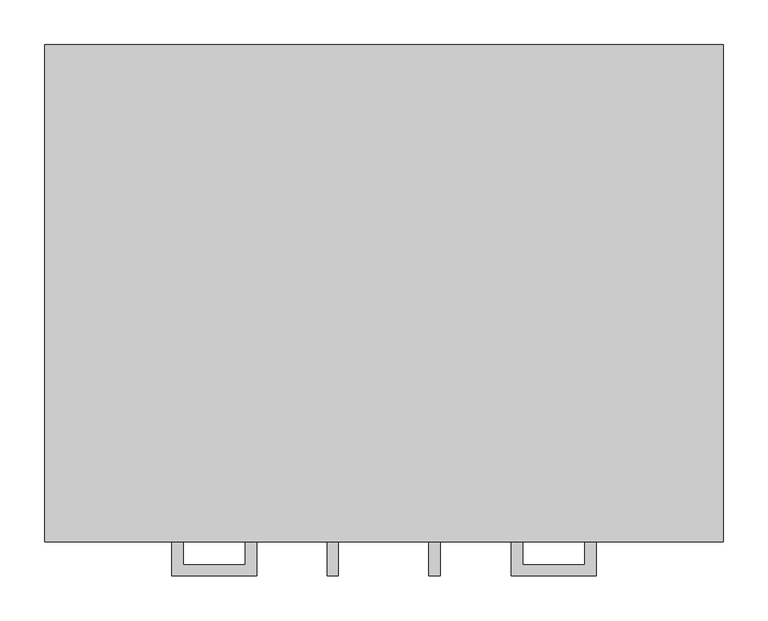
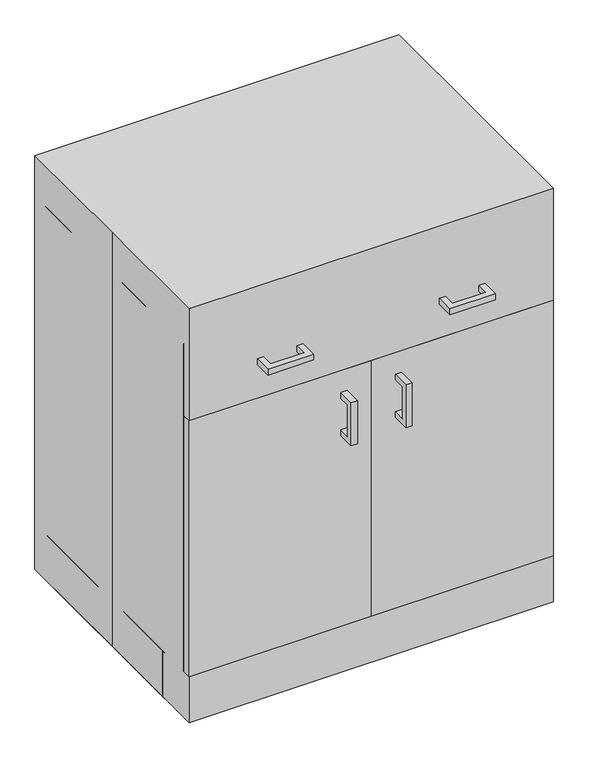
"""IFC4 building model written with IfcOpenShell, lengths in millimetres: proxy geometry."""

import ifcopenshell
import ifcopenshell.guid

model = None  # the IFC model being written
_history = None  # IfcOwnerHistory: only IFC2X3 demands one
_inside = {}  # id of a spatial element -> (the spatial element, [elements in it])
_under = {}  # id of a project, library or spatial element -> (it, [spatial elements below it])
_declared = {}  # id of a project -> (the project, [libraries it declares])
_typed = {}  # id of a type object -> (the type object, [elements of that type])
_made_of = {}  # id of a material, layer set ... -> (it, [elements and type objects made of it])


def new_model(schema):
    """Start an empty IFC model of exactly this schema.

    Asked for "IFC4X3", IfcOpenShell would pick the latest addendum, in which some entities
    have other attributes; the version numbers below select the first issue.
    IFC2X3 requires an IfcOwnerHistory on every rooted entity: one is made here for all.
    """
    global model, _history
    if schema == "IFC4X3":
        model = ifcopenshell.file(schema_version=(4, 3, 0, 0))
    else:
        model = ifcopenshell.file(schema=schema)
    _inside.clear()
    _under.clear()
    _declared.clear()
    _typed.clear()
    _made_of.clear()
    _history = None
    if model.schema == "IFC2X3":
        org = make("IfcOrganization", Name="unknown")
        user = make(
            "IfcPersonAndOrganization",
            ThePerson=make("IfcPerson", FamilyName="unknown"),
            TheOrganization=org,
        )
        app = make(
            "IfcApplication",
            ApplicationDeveloper=org,
            Version="unknown",
            ApplicationFullName="unknown",
            ApplicationIdentifier="unknown",
        )
        _history = make(
            "IfcOwnerHistory",
            OwningUser=user,
            OwningApplication=app,
            ChangeAction="ADDED",
            CreationDate=0,
        )
    return model


def make(cls, **values):
    """One entity of the class cls with the attributes given. An attribute that is None is left unset."""
    return model.create_entity(
        cls, **{name: value for name, value in values.items() if value is not None}
    )


def rooted(cls, **values):
    """An entity with a GlobalId (a new one), such as an element, a storey or a relation."""
    return make(cls, GlobalId=ifcopenshell.guid.new(), OwnerHistory=_history, **values)


def si_unit(unit_type, name, prefix=None):
    """IfcSIUnit, for example si_unit("LENGTHUNIT", "METRE", prefix="MILLI")."""
    return make("IfcSIUnit", UnitType=unit_type, Prefix=prefix, Name=name)


def assignment(units):
    """IfcUnitAssignment: the units of a project."""
    return None if units is None else make("IfcUnitAssignment", Units=units)


def point(xyz):
    """IfcCartesianPoint."""
    return None if xyz is None else make("IfcCartesianPoint", Coordinates=xyz)


def direction(xyz):
    """IfcDirection."""
    return None if xyz is None else make("IfcDirection", DirectionRatios=xyz)


def frame(location, z_axis=None, x_axis=None):
    """IfcAxis2Placement3D, a coordinate frame: its origin and axes. An axis left out is left unset."""
    return make(
        "IfcAxis2Placement3D",
        Location=point(location),
        Axis=direction(z_axis),
        RefDirection=direction(x_axis),
    )


def origin():
    """The frame at (0, 0, 0) with its axes left unset."""
    return frame((0.0, 0.0, 0.0))


def origin_with_axes():
    """The frame at (0, 0, 0) with the z axis (0, 0, 1) and the x axis (1, 0, 0) written out."""
    return frame((0.0, 0.0, 0.0), z_axis=(0.0, 0.0, 1.0), x_axis=(1.0, 0.0, 0.0))


def place(relative_to, where):
    """IfcLocalPlacement: puts the frame where relative to a parent placement (None: the world)."""
    return make(
        "IfcLocalPlacement", PlacementRelTo=relative_to, RelativePlacement=where
    )


def context(
    kind, dimensions, precision=None, world=None, true_north=None, identifier=None
):
    """IfcGeometricRepresentationContext, for example the 3D "Model" context."""
    return make(
        "IfcGeometricRepresentationContext",
        ContextIdentifier=identifier,
        ContextType=kind,
        CoordinateSpaceDimension=dimensions,
        Precision=precision,
        WorldCoordinateSystem=world,
        TrueNorth=true_north,
    )


def project(units=None, contexts=None):
    """IfcProject with its units and contexts."""
    return rooted(
        "IfcProject",
        Name="project",
        RepresentationContexts=contexts,
        UnitsInContext=assignment(units),
    )


def spatial(cls, under=None, at=None, **own):
    """A site, building, storey or space (cls), placed at a placement, below another one or the project."""
    s = rooted(cls, ObjectPlacement=at, **own)
    if under is not None:
        _under.setdefault(under.id(), (under, []))[1].append(s)
    return s


def polyline(points):
    """IfcPolyline through the points."""
    return make("IfcPolyline", Points=[point(p) for p in points])


def outline(outer, holes=None, kind="AREA"):
    """IfcArbitraryClosedProfileDef: a profile drawn as a closed curve; with holes, ...WithVoids."""
    if holes is None:
        return make("IfcArbitraryClosedProfileDef", ProfileType=kind, OuterCurve=outer)
    return make(
        "IfcArbitraryProfileDefWithVoids",
        ProfileType=kind,
        OuterCurve=outer,
        InnerCurves=holes,
    )


def extrude(swept, where, along, depth):
    """IfcExtrudedAreaSolid: the profile swept, set in the frame where, extruded along a direction by depth."""
    return make(
        "IfcExtrudedAreaSolid",
        SweptArea=swept,
        Position=where,
        ExtrudedDirection=direction(along),
        Depth=depth,
    )


def shape(context_of_items, identifier, shape_type, items):
    """IfcShapeRepresentation: the items that make up one representation, for example the "Body"."""
    return make(
        "IfcShapeRepresentation",
        ContextOfItems=context_of_items,
        RepresentationIdentifier=identifier,
        RepresentationType=shape_type,
        Items=items,
    )


def source(mapping_origin, context_of_items, identifier, shape_type, items):
    """IfcRepresentationMap: a shape defined once, which mapped items show again and again."""
    return make(
        "IfcRepresentationMap",
        MappingOrigin=mapping_origin,
        MappedRepresentation=shape(context_of_items, identifier, shape_type, items),
    )


def transform(
    local_origin,
    x_axis=None,
    y_axis=None,
    z_axis=None,
    scale=None,
    scale2=None,
    scale3=None,
    uniform=True,
):
    """IfcCartesianTransformationOperator3D, or its non-uniform kind. x_axis, y_axis, z_axis: its Axis1, 2, 3."""
    if uniform:
        return make(
            "IfcCartesianTransformationOperator3D",
            Axis1=direction(x_axis),
            Axis2=direction(y_axis),
            LocalOrigin=point(local_origin),
            Scale=scale,
            Axis3=direction(z_axis),
        )
    return make(
        "IfcCartesianTransformationOperator3DnonUniform",
        Axis1=direction(x_axis),
        Axis2=direction(y_axis),
        LocalOrigin=point(local_origin),
        Scale=scale,
        Axis3=direction(z_axis),
        Scale2=scale2,
        Scale3=scale3,
    )


def mapped(mapping_source, mapping_target):
    """IfcMappedItem: shows the shape of a source again, moved by a transform."""
    return make(
        "IfcMappedItem", MappingSource=mapping_source, MappingTarget=mapping_target
    )


def made_of(thing, what):
    """Note that an element or type object is made of a material, layer set ...; save() writes the relation."""
    if what is not None:
        _made_of.setdefault(what.id(), (what, []))[1].append(thing)
    return thing


def element(
    cls,
    number,
    at=None,
    inside=None,
    cuts=None,
    type_object=None,
    material=None,
    context=None,
    identifier="Body",
    shape_type=None,
    held_by="IfcProductDefinitionShape",
    body=None,
    shapes=None,
    **own,
):
    """One element of the class cls, such as IfcWall. Its Tag is "e" and its number.

    at: its placement. inside: the storey or other place that contains it. cuts: it is an
    opening in that element (IfcRelVoidsElement). A single representation is given by context,
    identifier, shape_type and body (its items); several are given by shapes. held_by: the class
    of the entity that holds the representations. save() writes the other relations.
    """
    e = rooted(cls, Tag="e%d" % number, ObjectPlacement=at, **own)
    if body is not None:
        shapes = [shape(context, identifier, shape_type, body)]
    if shapes is not None:
        e.Representation = make(held_by, Representations=shapes)
    if inside is not None:
        _inside.setdefault(inside.id(), (inside, []))[1].append(e)
    if cuts is not None:
        rooted(
            "IfcRelVoidsElement", RelatingBuildingElement=cuts, RelatedOpeningElement=e
        )
    if type_object is not None:
        _typed.setdefault(type_object.id(), (type_object, []))[1].append(e)
    return made_of(e, material)


def aggregate(whole, parts):
    """IfcRelAggregates: a whole, such as a stair, and the parts it consists of."""
    return rooted("IfcRelAggregates", RelatingObject=whole, RelatedObjects=parts)


def save(model, path):
    """Write the relations noted so far, then the file.

    IfcRelAggregates (storeys below a building ...), IfcRelContainedInSpatialStructure (elements
    in a storey), IfcRelDefinesByType, IfcRelAssociatesMaterial and IfcRelDeclares: one each for
    every whole, place, type object, material and project.
    """
    for whole, parts in _under.values():
        aggregate(whole, parts)
    for where, things in _inside.values():
        rooted(
            "IfcRelContainedInSpatialStructure",
            RelatedElements=things,
            RelatingStructure=where,
        )
    for kind, things in _typed.values():
        rooted("IfcRelDefinesByType", RelatedObjects=things, RelatingType=kind)
    for what, things in _made_of.values():
        rooted("IfcRelAssociatesMaterial", RelatedObjects=things, RelatingMaterial=what)
    for by, libraries in _declared.values():
        rooted("IfcRelDeclares", RelatingContext=by, RelatedDefinitions=libraries)
    model.write(path)


def specialty_equipment_70df37de(model_context):
    return source(origin(), model_context, "Body", "SweptSolid", [
        extrude(outline(polyline([(0.0, -279.4), (-381.0, -279.4), (-381.0, -260.35), (0.0, -260.35), (0.0, -279.4)])), frame((0.0, 0.0, 101.6), z_axis=(0.0, 0.0, 1.0), x_axis=(1.0, 0.0, 0.0)), (0.0, 0.0, 1.0), 565.15),
        extrude(outline(polyline([(-238.125, -317.5), (-238.125, -279.4), (-225.4409299, -279.4), (-225.4409299, -304.8159299), (-155.5590701, -304.8159299), (-155.5590701, -279.4), (-142.875, -279.4), (-142.875, -317.5), (-238.125, -317.5)])), frame((0.0, 0.0, 741.3462383), z_axis=(0.0, 0.0, 1.0), x_axis=(1.0, 0.0, 0.0)), (0.0, 0.0, 1.0), 12.7),
        extrude(outline(polyline([(238.125, -317.5), (142.875, -317.5), (142.875, -279.4), (155.5590701, -279.4), (155.5590701, -304.8159299), (225.4409299, -304.8159299), (225.4409299, -279.4), (238.125, -279.4), (238.125, -317.5)])), frame((0.0, 0.0, 741.3462383), z_axis=(0.0, 0.0, 1.0), x_axis=(1.0, 0.0, 0.0)), (0.0, 0.0, 1.0), 12.7),
        extrude(outline(polyline([(381.0, -279.4), (0.0, -279.4), (0.0, -260.35), (381.0, -260.35), (381.0, -279.4)])), frame((0.0, 0.0, 101.6), z_axis=(0.0, 0.0, 1.0), x_axis=(1.0, 0.0, 0.0)), (0.0, 0.0, 1.0), 565.15),
        extrude(outline(polyline([(-317.5, 523.8560937), (-317.5, 619.1060937), (-279.4, 619.1060937), (-279.4, 606.4220236), (-304.8159299, 606.4220236), (-304.8159299, 536.5401637), (-279.4, 536.5401637), (-279.4, 523.8560937), (-317.5, 523.8560937)])), frame((50.5065288, 0.0, 0.0), z_axis=(1.0, 0.0, 0.0), x_axis=(0.0, 1.0, 0.0)), (0.0, 0.0, 1.0), 12.7),
        extrude(outline(polyline([(-317.5, 523.8560937), (-317.5, 619.1060937), (-279.4, 619.1060937), (-279.4, 606.4220236), (-304.8159299, 606.4220236), (-304.8159299, 536.5401637), (-279.4, 536.5401637), (-279.4, 523.8560937), (-317.5, 523.8560937)])), frame((-63.7934712, 0.0, 0.0), z_axis=(1.0, 0.0, 0.0), x_axis=(0.0, 1.0, 0.0)), (0.0, 0.0, 1.0), 12.7),
        extrude(outline(polyline([(-381.0, 279.4), (381.0, 279.4), (381.0, -279.4), (-381.0, -279.4), (-381.0, 0.0), (-381.0, 279.4)])), origin_with_axes(), (0.0, 0.0, 1.0), 914.4),
        extrude(outline(polyline([(381.0, -279.4), (0.0, -279.4), (0.0, -260.35), (381.0, -260.35), (381.0, -279.4)])), frame((0.0, 0.0, 673.0674767), z_axis=(0.0, 0.0, 1.0), x_axis=(1.0, 0.0, 0.0)), (0.0, 0.0, 1.0), 152.4),
        extrude(outline(polyline([(0.0, -279.4), (-381.0, -279.4), (-381.0, -260.35), (0.0, -260.35), (0.0, -279.4)])), frame((0.0, 0.0, 673.0674767), z_axis=(0.0, 0.0, 1.0), x_axis=(1.0, 0.0, 0.0)), (0.0, 0.0, 1.0), 152.4),
        extrude(outline(polyline([(-381.0, -260.35), (-381.0, 279.4), (-361.95, 279.4), (-361.95, -260.35), (-381.0, -260.35)])), frame((0.0, 0.0, 101.6), z_axis=(0.0, 0.0, 1.0), x_axis=(1.0, 0.0, 0.0)), (0.0, 0.0, 1.0), 723.8674767),
        extrude(outline(polyline([(361.95, -260.35), (361.95, 279.4), (381.0, 279.4), (381.0, -260.35), (361.95, -260.35)])), frame((0.0, 0.0, 101.6), z_axis=(0.0, 0.0, 1.0), x_axis=(1.0, 0.0, 0.0)), (0.0, 0.0, 1.0), 723.8674767),
        extrude(outline(polyline([(381.0, -203.2), (-381.0, -203.2), (-381.0, -184.15), (381.0, -184.15), (381.0, -203.2)])), origin_with_axes(), (0.0, 0.0, 1.0), 101.6),
        extrude(outline(polyline([(-381.0, -184.15), (-381.0, 279.4), (-361.95, 279.4), (-361.95, -184.15), (-381.0, -184.15)])), origin_with_axes(), (0.0, 0.0, 1.0), 101.6),
        extrude(outline(polyline([(361.95, -184.15), (361.95, 279.4), (381.0, 279.4), (381.0, -184.15), (361.95, -184.15)])), origin_with_axes(), (0.0, 0.0, 1.0), 101.6),
        extrude(outline(polyline([(381.0, 260.35), (-381.0, 260.35), (-381.0, 279.4), (381.0, 279.4), (381.0, 260.35)])), origin_with_axes(), (0.0, 0.0, 1.0), 101.6),
        extrude(outline(polyline([(361.95, 260.35), (361.95, -260.35), (-361.95, -260.35), (-361.95, 260.35), (361.95, 260.35)])), frame((0.0, 0.0, 101.6), z_axis=(0.0, 0.0, 1.0), x_axis=(1.0, 0.0, 0.0)), (0.0, 0.0, 1.0), 19.1166954),
        extrude(outline(polyline([(361.95, 260.35), (-361.95, 260.35), (-361.95, 279.4), (361.95, 279.4), (361.95, 260.35)])), frame((0.0, 0.0, 101.6), z_axis=(0.0, 0.0, 1.0), x_axis=(1.0, 0.0, 0.0)), (0.0, 0.0, 1.0), 704.8174767),
    ])


if __name__ == "__main__":
    model = new_model("IFC4")
    model_context = context("Model", 3, world=origin())
    ifc_project = project(units=[si_unit("LENGTHUNIT", "METRE", prefix="MILLI")], contexts=[model_context])
    site = spatial("IfcSite", under=ifc_project)
    building = spatial("IfcBuilding", under=site)
    placement = place(None, origin())
    specialty_equipment_shape = specialty_equipment_70df37de(model_context)
    element("IfcBuildingElementProxy", 1, Name="Specialty Equipment", at=placement, inside=building, context=model_context, shape_type="MappedRepresentation", body=[
        mapped(specialty_equipment_shape, transform((0.0, 0.0, 0.0), x_axis=(1.0, 0.0, 0.0), y_axis=(0.0, 1.0, 0.0), z_axis=(0.0, 0.0, 1.0))),
    ])
    save(model, "model.ifc")
